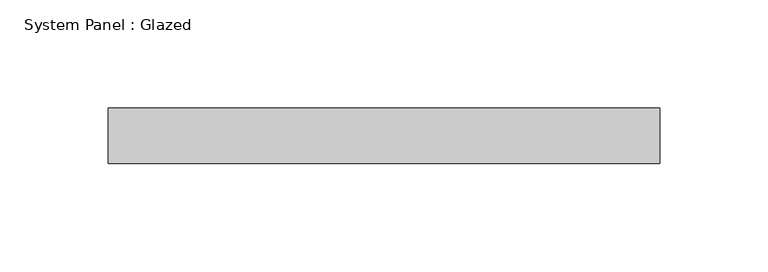
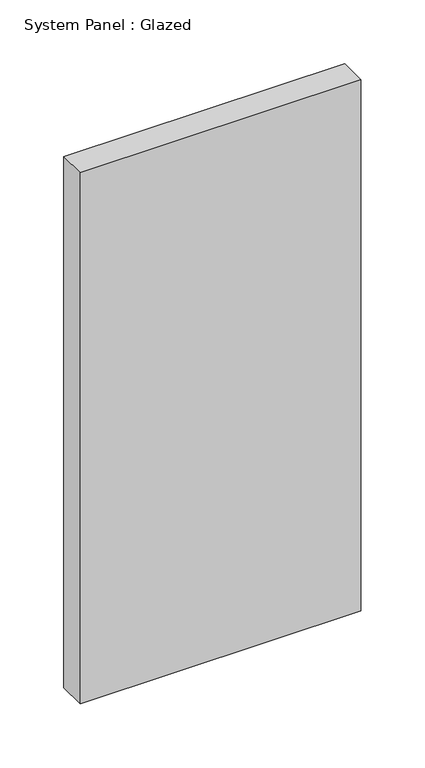
"""IFC4 building model written with IfcOpenShell, lengths in millimetres: plate geometry, System Panel : Glazed."""

from ifc_helpers import new_model, si_unit, origin, origin_with_axes, place, context, project, spatial, polyline, outline, extrude, source, transform, mapped, element, save


def system_panel_glazed_8acdcb52(model_context):
    return source(origin(), model_context, "Body", "SweptSolid", [
        extrude(outline(polyline([(127.0, -12.7), (-127.0, -12.7), (-127.0, 12.7), (127.0, 12.7), (127.0, -12.7)])), origin_with_axes(), (0.0, 0.0, 1.0), 508.0),
    ])


if __name__ == "__main__":
    model = new_model("IFC4")
    model_context = context("Model", 3, world=origin())
    ifc_project = project(units=[si_unit("LENGTHUNIT", "METRE", prefix="MILLI")], contexts=[model_context])
    site = spatial("IfcSite", under=ifc_project)
    building = spatial("IfcBuilding", under=site)
    placement = place(None, origin())
    system_panel_glazed_shape = system_panel_glazed_8acdcb52(model_context)
    element("IfcPlate", 1, ObjectType="System Panel : Glazed", at=placement, inside=building, context=model_context, shape_type="MappedRepresentation", body=[
        mapped(system_panel_glazed_shape, transform((0.0, 0.0, 0.0), x_axis=(1.0, 0.0, 0.0), y_axis=(0.0, 1.0, 0.0), z_axis=(0.0, 0.0, 1.0))),
    ])
    save(model, "model.ifc")
